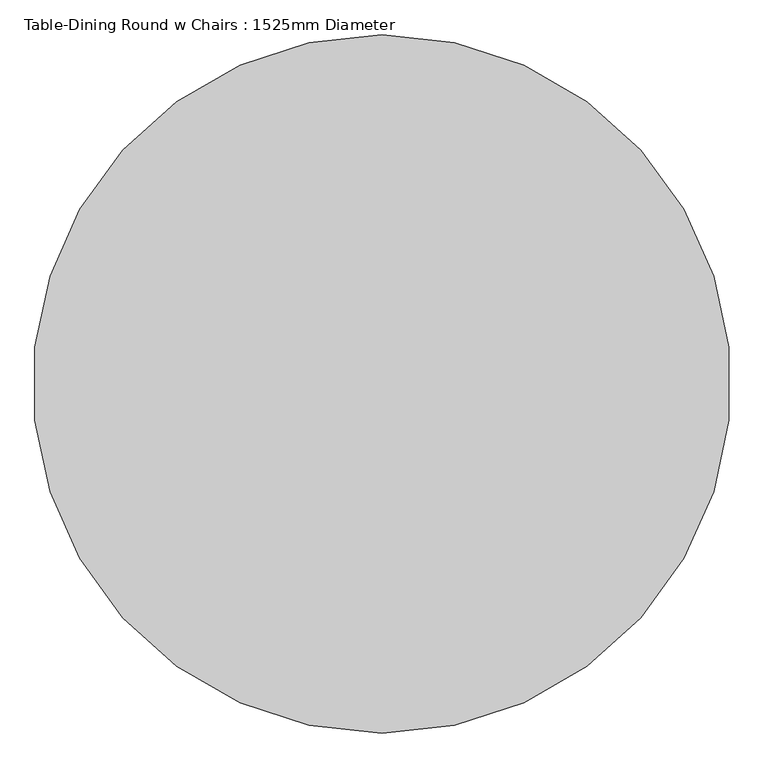
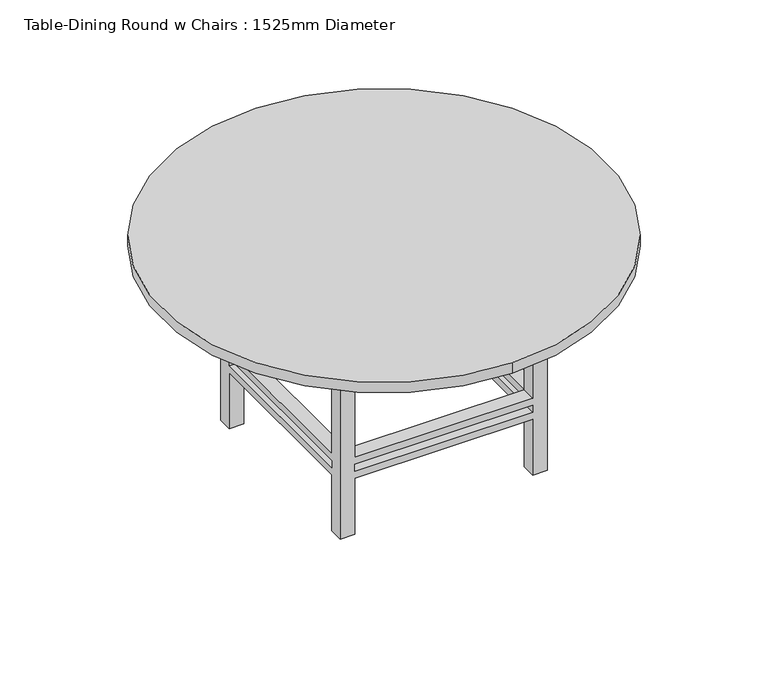
"""IFC4 building model written with IfcOpenShell, lengths in millimetres: furniture geometry, Table-Dining Round w Chairs : 1525mm Diameter."""

from ifc_helpers import new_model, si_unit, point, frame, frame_2d, origin, place, context, project, spatial, polyline, circle_curve, trimmed, segment, composite_curve, outline, extrude, faceted_brep, source, transform, mapped, element, save


def table_dining_round_w_chairs_1525mm_diameter_e8096f67(model_context):
    return source(origin(), model_context, "Body", "SolidModel", [
        faceted_brep([(-201.3680328, 170.9713115, 647.7), (-252.1680328, 170.9713115, 647.7), (-252.1680328, 120.1713115, 647.7), (-201.3680328, 120.1713115, 647.7), (408.7319672, 170.9713115, 647.7), (408.7319672, 120.1713115, 647.7), (459.5319672, 120.1713115, 647.7), (459.5319672, 170.9713115, 647.7), (408.7319672, -540.7286885, 647.7), (459.5319672, -540.7286885, 647.7), (459.5319672, -489.9286885, 647.7), (408.7319672, -489.9286885, 647.7), (-201.3680328, -540.7286885, 647.7), (-201.3680328, -489.9286885, 647.7), (-252.1680328, -489.9286885, 647.7), (-252.1680328, -540.7286885, 647.7), (-201.3680328, 170.9713115, 0.0), (-201.3680328, 120.1713115, 0.0), (-252.1680328, 120.1713115, 0.0), (-252.1680328, 170.9713115, 0.0), (408.7319672, 170.9713115, 0.0), (459.5319672, 170.9713115, 0.0), (459.5319672, 120.1713115, 0.0), (408.7319672, 120.1713115, 0.0), (408.7319672, -540.7286885, 0.0), (408.7319672, -489.9286885, 0.0), (459.5319672, -489.9286885, 0.0), (459.5319672, -540.7286885, 0.0), (-201.3680328, -540.7286885, 0.0), (-252.1680328, -540.7286885, 0.0), (-252.1680328, -489.9286885, 0.0), (-201.3680328, -489.9286885, 0.0), (-201.3680328, 170.9713115, 279.4), (408.7319672, 170.9713115, 279.4), (408.7319672, 170.9713115, 203.2), (-201.3680328, 170.9713115, 203.2), (408.7319672, 170.9713115, 228.6), (408.7319672, 170.9713115, 254.0), (-201.3680328, 170.9713115, 254.0), (-201.3680328, 170.9713115, 228.6), (-252.1680328, 120.1713115, 203.2), (-252.1680328, -489.9286885, 203.2), (-252.1680328, -489.9286885, 279.4), (-252.1680328, 120.1713115, 279.4), (-252.1680328, 120.1713115, 228.6), (-252.1680328, 120.1713115, 254.0), (-252.1680328, -489.9286885, 254.0), (-252.1680328, -489.9286885, 228.6), (-201.3680328, 120.1713115, 279.4), (-201.3680328, 120.1713115, 203.2), (-201.3680328, 120.1713115, 228.6), (-201.3680328, 120.1713115, 254.0), (408.7319672, 120.1713115, 279.4), (408.7319672, 120.1713115, 203.2), (408.7319672, 120.1713115, 228.6), (408.7319672, 120.1713115, 254.0), (459.5319672, 120.1713115, 279.4), (459.5319672, 120.1713115, 203.2), (459.5319672, 120.1713115, 228.6), (459.5319672, 120.1713115, 254.0), (459.5319672, -489.9286885, 279.4), (459.5319672, -489.9286885, 203.2), (459.5319672, -489.9286885, 228.6), (459.5319672, -489.9286885, 254.0), (408.7319672, -540.7286885, 279.4), (-201.3680328, -540.7286885, 279.4), (-201.3680328, -540.7286885, 203.2), (408.7319672, -540.7286885, 203.2), (-201.3680328, -540.7286885, 228.6), (-201.3680328, -540.7286885, 254.0), (408.7319672, -540.7286885, 254.0), (408.7319672, -540.7286885, 228.6), (408.7319672, -489.9286885, 279.4), (408.7319672, -489.9286885, 203.2), (408.7319672, -489.9286885, 228.6), (408.7319672, -489.9286885, 254.0), (-201.3680328, -489.9286885, 279.4), (-201.3680328, -489.9286885, 203.2), (-201.3680328, -489.9286885, 228.6), (-201.3680328, -489.9286885, 254.0)], [[[0, 1, 2, 3]], [[4, 5, 6, 7]], [[8, 9, 10, 11]], [[12, 13, 14, 15]], [[16, 17, 18, 19]], [[20, 21, 22, 23]], [[24, 25, 26, 27]], [[28, 29, 30, 31]], [[1, 0, 32, 33, 4, 7, 21, 20, 34, 35, 16, 19], [36, 37, 38, 39]], [[2, 1, 19, 18, 40, 41, 30, 29, 15, 14, 42, 43], [44, 45, 46, 47]], [[3, 2, 43, 48]], [[18, 17, 49, 40]], [[44, 50, 51, 45]], [[0, 3, 48, 32]], [[17, 16, 35, 49]], [[50, 39, 38, 51]], [[5, 4, 33, 52]], [[20, 23, 53, 34]], [[36, 54, 55, 37]], [[6, 5, 52, 56]], [[23, 22, 57, 53]], [[54, 58, 59, 55]], [[21, 7, 6, 56, 60, 10, 9, 27, 26, 61, 57, 22], [62, 63, 59, 58]], [[27, 9, 8, 64, 65, 12, 15, 29, 28, 66, 67, 24], [68, 69, 70, 71]], [[11, 10, 60, 72]], [[26, 25, 73, 61]], [[62, 74, 75, 63]], [[8, 11, 72, 64]], [[25, 24, 67, 73]], [[74, 71, 70, 75]], [[13, 12, 65, 76]], [[28, 31, 77, 66]], [[68, 78, 79, 69]], [[14, 13, 76, 42]], [[31, 30, 41, 77]], [[78, 47, 46, 79]], [[54, 74, 62, 58]], [[74, 78, 68, 71]], [[78, 50, 44, 47]], [[50, 54, 36, 39]], [[53, 49, 35, 34]], [[49, 77, 41, 40]], [[77, 73, 67, 66]], [[73, 53, 57, 61]], [[74, 54, 53, 73]], [[78, 74, 73, 77]], [[50, 78, 77, 49]], [[54, 50, 49, 53]], [[52, 72, 60, 56]], [[72, 76, 65, 64]], [[76, 48, 43, 42]], [[48, 52, 33, 32]], [[55, 51, 38, 37]], [[51, 79, 46, 45]], [[79, 75, 70, 69]], [[75, 55, 59, 63]], [[72, 52, 55, 75]], [[76, 72, 75, 79]], [[48, 76, 79, 51]], [[52, 48, 51, 55]]]),
        extrude(outline(polyline([(484.9319672, 196.3713115), (484.9319672, -566.1286885), (-277.5680328, -566.1286885), (-277.5680328, 196.3713115), (484.9319672, 196.3713115)]), holes=[polyline([(459.5319672, 170.9713115), (-252.1680328, 170.9713115), (-252.1680328, -540.7286885), (459.5319672, -540.7286885), (459.5319672, 170.9713115)])]), frame((0.0, 0.0, 647.7), z_axis=(0.0, 0.0, 1.0), x_axis=(1.0, 0.0, 0.0)), (0.0, 0.0, 1.0), 76.2),
        extrude(outline(composite_curve([segment(trimmed(circle_curve(frame_2d((103.6819672, -184.8786885)), 762.5), [point((103.6819672, -947.3786885))], [point((103.6819672, 577.6213115))], False, "CARTESIAN"), True, "CONTINUOUS"), segment(trimmed(circle_curve(frame_2d((103.6819672, -184.8786885)), 762.5), [point((103.6819672, 577.6213115))], [point((103.6819672, -947.3786885))], False, "CARTESIAN"), True, "CONTINUOUS")], self_intersect=False)), frame((0.0, 0.0, 723.9), z_axis=(0.0, 0.0, 1.0), x_axis=(1.0, 0.0, 0.0)), (0.0, 0.0, 1.0), 38.1),
    ])


if __name__ == "__main__":
    model = new_model("IFC4")
    model_context = context("Model", 3, world=origin())
    ifc_project = project(units=[si_unit("LENGTHUNIT", "METRE", prefix="MILLI")], contexts=[model_context])
    site = spatial("IfcSite", under=ifc_project)
    building = spatial("IfcBuilding", under=site)
    placement = place(None, origin())
    table_dining_round_w_chairs_1525mm_diameter_shape = table_dining_round_w_chairs_1525mm_diameter_e8096f67(model_context)
    element("IfcFurniture", 1, ObjectType="Table-Dining Round w Chairs : 1525mm Diameter", at=placement, inside=building, context=model_context, shape_type="MappedRepresentation", body=[
        mapped(table_dining_round_w_chairs_1525mm_diameter_shape, transform((0.0, 0.0, 0.0), x_axis=(1.0, 0.0, 0.0), y_axis=(0.0, 1.0, 0.0), z_axis=(0.0, 0.0, 1.0))),
    ])
    save(model, "model.ifc")
